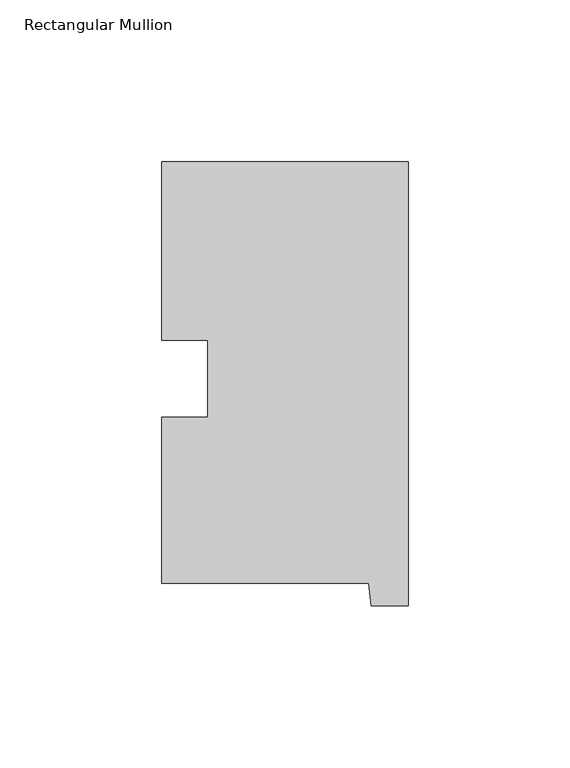
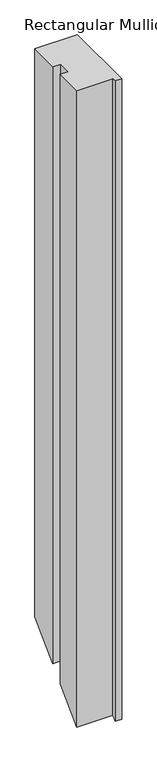
"""IFC4 building model written with IfcOpenShell, lengths in millimetres: member geometry, Rectangular Mullion."""

from ifc_helpers import new_model, si_unit, origin, place, context, project, spatial, faceted_brep, source, transform, mapped, element, save


def rectangular_mullion_05644473(model_context):
    return source(origin(), model_context, "Body", "Brep", [
        faceted_brep([(-76.2, 130.56235, 0.0), (-76.2, 75.40625, 0.0), (-61.960125, 75.40625, 0.0), (-61.960125, 51.60645, 0.0), (-76.2, 51.60645, 0.0), (-76.2, 0.26035, 0.0), (-12.1549448, 0.26035, 0.0), (-11.4023812, -6.64845, 0.0), (0.0, -6.64845, 0.0), (0.0, 130.56235, 0.0), (-76.2, 130.56235, -1075.944), (-76.2, 75.40625, -1131.1001), (-61.960125, 75.40625, -1131.1001), (-61.960125, 51.60645, -1154.8999), (-76.2, 51.60645, -1154.8999), (-76.2, 0.26035, -1206.246), (-12.1549448, 0.26035, -1206.246), (-11.4023812, -6.64845, -1213.1548), (0.0, -6.64845, -1213.1548), (0.0, 130.56235, -1075.944)], [[[0, 1, 2, 3, 4, 5, 6, 7, 8, 9]], [[1, 0, 10, 11]], [[2, 1, 11, 12]], [[3, 2, 12, 13]], [[4, 3, 13, 14]], [[5, 4, 14, 15]], [[6, 5, 15, 16]], [[7, 6, 16, 17]], [[8, 7, 17, 18]], [[9, 8, 18, 19]], [[0, 9, 19, 10]], [[10, 19, 18, 17, 16, 15, 14, 13, 12, 11]]]),
    ])


if __name__ == "__main__":
    model = new_model("IFC4")
    model_context = context("Model", 3, world=origin())
    ifc_project = project(units=[si_unit("LENGTHUNIT", "METRE", prefix="MILLI")], contexts=[model_context])
    site = spatial("IfcSite", under=ifc_project)
    building = spatial("IfcBuilding", under=site)
    placement = place(None, origin())
    rectangular_mullion_shape = rectangular_mullion_05644473(model_context)
    element("IfcMember", 1, ObjectType="Rectangular Mullion", at=placement, inside=building, context=model_context, shape_type="MappedRepresentation", body=[
        mapped(rectangular_mullion_shape, transform((0.0, 0.0, 0.0), x_axis=(1.0, 0.0, 0.0), y_axis=(0.0, 1.0, 0.0), z_axis=(0.0, 0.0, 1.0))),
    ])
    save(model, "model.ifc")
